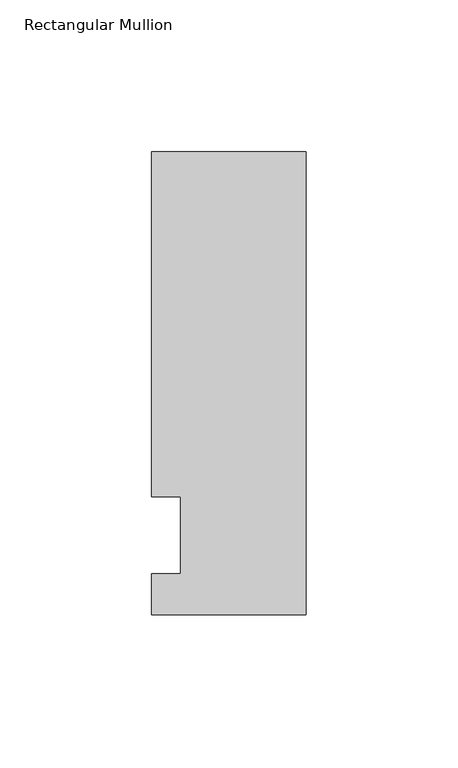
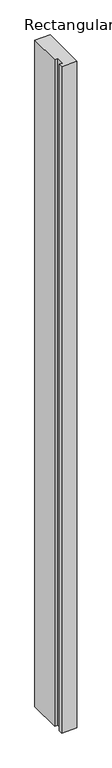
"""IFC4 building model written with IfcOpenShell, lengths in millimetres: member geometry, Rectangular Mullion."""

from ifc_helpers import new_model, si_unit, frame, origin, place, context, project, spatial, polyline, outline, extrude, source, transform, mapped, element, save


def rectangular_mullion_122719c5(model_context):
    return source(origin(), model_context, "Body", "SweptSolid", [
        extrude(outline(polyline([(0.0, -26.19375), (-50.8, -26.19375), (-50.8, -12.7), (-41.275, -12.7), (-41.275, 12.7), (-50.8, 12.7), (-50.8, 126.20625), (0.0, 126.20625), (0.0, -26.19375)])), frame((0.0, 0.0, -2324.1), z_axis=(0.0, 0.0, 1.0), x_axis=(1.0, 0.0, 0.0)), (0.0, 0.0, 1.0), 2324.1),
    ])


if __name__ == "__main__":
    model = new_model("IFC4")
    model_context = context("Model", 3, world=origin())
    ifc_project = project(units=[si_unit("LENGTHUNIT", "METRE", prefix="MILLI")], contexts=[model_context])
    site = spatial("IfcSite", under=ifc_project)
    building = spatial("IfcBuilding", under=site)
    placement = place(None, origin())
    rectangular_mullion_shape = rectangular_mullion_122719c5(model_context)
    element("IfcMember", 1, ObjectType="Rectangular Mullion", at=placement, inside=building, context=model_context, shape_type="MappedRepresentation", body=[
        mapped(rectangular_mullion_shape, transform((0.0, 0.0, 0.0), x_axis=(1.0, 0.0, 0.0), y_axis=(0.0, 1.0, 0.0), z_axis=(0.0, 0.0, 1.0))),
    ])
    save(model, "model.ifc")
